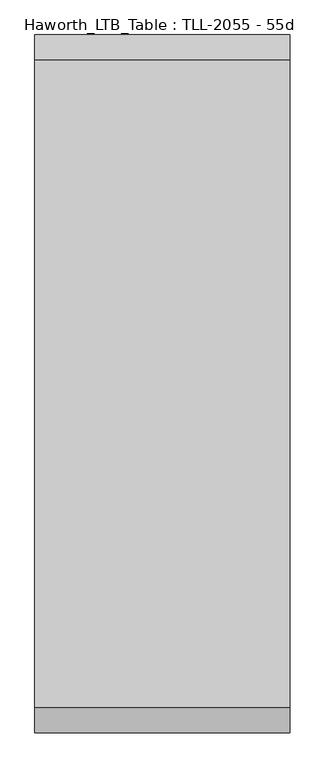
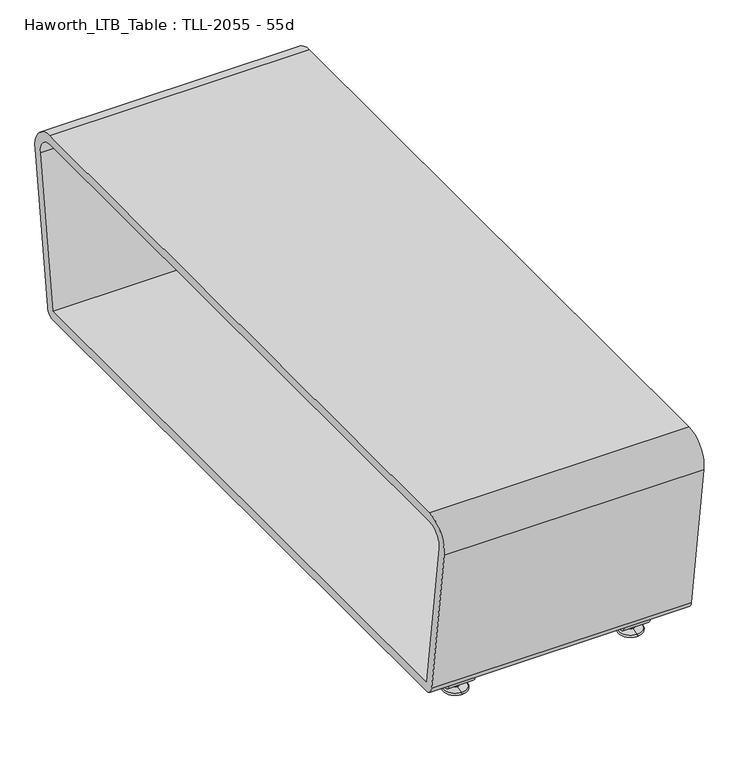
"""IFC4 building model written with IfcOpenShell, lengths in millimetres: furniture geometry, Haworth_LTB_Table : TLL-2055 - 55d."""

from ifc_helpers import new_model, si_unit, point, frame, frame_2d, origin, place, context, project, spatial, polyline, circle_curve, ellipse_curve, trimmed, segment, composite_curve, outline, extrude, source, transform, mapped, element, save
from ifc_brep_helpers import plane_surface, cylinder_surface, revolved_surface, advanced_brep


def haworth_ltb_table_tll_2055_55d_089fc6c0(model_context):
    return source(origin(), model_context, "Body", "SolidModel", [
        advanced_brep(
        [(272.9954642, 1023.8425052, 7.8133431), (272.9954642, 1039.8355515, 7.8133431), (272.9954642, 1036.6015284, 7.8133431), (272.9954642, 1027.0765284, 7.8133431), (272.9954642, 1009.9001513, 4.0775), (272.9954642, 1053.7779054, 4.0775), (272.9954642, 1010.3107026, 0.0), (272.9954642, 1053.3673542, 0.0), (272.9954642, 1031.8390284, 0.0), (272.9954642, 1027.0765284, 50.0000004), (272.9954642, 1036.6015284, 50.0000004), (272.9954642, 1031.8390284, 50.0000004)],
        [
            (0, 1, circle_curve(frame((272.9954642, 1031.8390284, 7.8133431), z_axis=(0.0, 0.0, 1.0), x_axis=(0.0, 1.0, 0.0)), 7.9965232)),
            (1, 2),
            (2, 3, circle_curve(frame((272.9954642, 1031.8390284, 7.8133431), z_axis=(0.0, 0.0, -1.0), x_axis=(0.0, 1.0, 0.0)), 4.7625)),
            (3, 0),
            (1, 0, circle_curve(frame((272.9954642, 1031.8390284, 7.8133431), z_axis=(0.0, 0.0, 1.0), x_axis=(0.0, 1.0, 0.0)), 7.9965232)),
            (3, 2, circle_curve(frame((272.9954642, 1031.8390284, 7.8133431), z_axis=(0.0, 0.0, -1.0), x_axis=(0.0, 1.0, 0.0)), 4.7625)),
            (4, 5, circle_curve(frame((272.9954642, 1031.8390284, 4.0775), z_axis=(0.0, 0.0, 1.0), x_axis=(0.0, 1.0, 0.0)), 21.9388771)),
            (5, 1),
            (0, 4),
            (5, 4, circle_curve(frame((272.9954642, 1031.8390284, 4.0775), z_axis=(0.0, 0.0, 1.0), x_axis=(0.0, 1.0, 0.0)), 21.9388771)),
            (6, 7, circle_curve(frame((272.9954642, 1031.8390284, 0.0), z_axis=(0.0, 0.0, 1.0), x_axis=(0.0, 1.0, 0.0)), 21.5283258)),
            (7, 5, circle_curve(frame((272.9954642, 1053.2405822, 2.0721829), z_axis=(1.0, 0.0, 0.0), x_axis=(0.0, -1.0, 0.0)), 2.0760571)),
            (4, 6, circle_curve(frame((272.9954642, 1010.4374745, 2.0721829), z_axis=(1.0, 0.0, 0.0), x_axis=(0.0, 1.0, 0.0)), 2.0760571)),
            (7, 6, circle_curve(frame((272.9954642, 1031.8390284, 0.0), z_axis=(0.0, 0.0, 1.0), x_axis=(0.0, 1.0, 0.0)), 21.5283258)),
            (8, 7),
            (6, 8),
            (9, 10, circle_curve(frame((272.9954642, 1031.8390284, 50.0000004), z_axis=(0.0, 0.0, 1.0), x_axis=(0.0, 1.0, 0.0)), 4.7625)),
            (10, 11),
            (11, 9),
            (10, 9, circle_curve(frame((272.9954642, 1031.8390284, 50.0000004), z_axis=(0.0, 0.0, 1.0), x_axis=(0.0, 1.0, 0.0)), 4.7625)),
            (2, 10),
            (9, 3),
        ],
        [
            plane_surface(frame((272.9954642, 1031.8390284, 7.8133431), z_axis=(0.0, 0.0, 1.0), x_axis=(0.0, 1.0, 0.0))),
            revolved_surface(polyline([(272.9954642, 1039.8355515, 7.8133431), (272.9954642, 1053.7779054, 4.0775)]), (272.9954642, 1031.8390284, 0.0), (0.0, 0.0, -1.0)),
            revolved_surface(trimmed(ellipse_curve(frame((272.9954642, 1053.2405822, 2.0721829), z_axis=(-1.0, 0.0, 0.0), x_axis=(0.0, -1.0, 0.0)), 2.0760571, 2.0760571), [point((272.9954642, 1053.7779054, 4.0775))], [point((272.9954642, 1053.3673542, 0.0))], True, "CARTESIAN"), (272.9954642, 1031.8390284, 0.0), (0.0, 0.0, -1.0)),
            plane_surface(frame((272.9954642, 1031.8390284, 0.0), z_axis=(0.0, 0.0, -1.0), x_axis=(0.0, 1.0, 0.0))),
            plane_surface(frame((272.9954642, 1031.8390284, 50.0000004), z_axis=(0.0, 0.0, 1.0), x_axis=(0.0, 1.0, 0.0))),
            cylinder_surface(frame((272.9954642, 1031.8390284, 0.0), z_axis=(0.0, 0.0, -1.0), x_axis=(0.0, 1.0, 0.0)), 4.7625),
        ],
        [
            (0, [[1, 2, 3, 4]]),
            (0, [[5, -4, 6, -2]]),
            (1, [[7, 8, -1, 9]]),
            (1, [[10, -9, -5, -8]]),
            (2, [[11, 12, -7, 13]]),
            (2, [[14, -13, -10, -12]]),
            (3, [[15, -11, 16]]),
            (3, [[-16, -14, -15]]),
            (4, [[17, 18, 19]]),
            (4, [[20, -19, -18]]),
            (5, [[-3, 21, -17, 22]]),
            (5, [[-6, -22, -20, -21]]),
        ],
    ),
        extrude(outline(composite_curve([segment(trimmed(circle_curve(frame_2d((1040.994834, 30.0000007)), 15.000001), [point((1055.848856, 27.9124042))], [point((1040.994834, 14.9999997))], False, "CARTESIAN"), True, "CONTINUOUS"), segment(polyline([(1040.994834, 14.9999997), (1022.6832228, 14.9999997)]), True, "CONTINUOUS"), segment(trimmed(circle_curve(frame_2d((1022.6832228, 30.0000007)), 15.000001), [point((1022.6832228, 14.9999997))], [point((1007.8292007, 27.9124042))], False, "CARTESIAN"), True, "CONTINUOUS"), segment(polyline([(1007.8292007, 27.9124042), (1004.7249917, 50.0000004), (1010.4709154, 50.0000004), (1013.4638262, 28.7043023)]), True, "CONTINUOUS"), segment(trimmed(circle_curve(frame_2d((1022.6832241, 30.0000023)), 9.310002), [point((1013.4638262, 28.7043023))], [point((1022.6832241, 20.6900003))], True, "CARTESIAN"), True, "CONTINUOUS"), segment(polyline([(1022.6832241, 20.6900003), (1040.9948326, 20.6900003)]), True, "CONTINUOUS"), segment(trimmed(circle_curve(frame_2d((1040.9948326, 30.0000023)), 9.310002), [point((1040.9948326, 20.6900003))], [point((1050.2142305, 28.7043023))], True, "CARTESIAN"), True, "CONTINUOUS"), segment(polyline([(1050.2142305, 28.7043023), (1053.2071413, 50.0000004), (1058.953065, 50.0000004), (1055.848856, 27.9124042)]), True, "CONTINUOUS")], self_intersect=False)), frame((247.5954642, 0.0, 0.0), z_axis=(1.0, 0.0, 0.0), x_axis=(0.0, 1.0, 0.0)), (0.0, 0.0, 1.0), 50.8),
        advanced_brep(
        [(616.0045358, 1027.0765284, 7.8133431), (616.0045358, 1036.6015284, 7.8133431), (616.0045358, 1039.8355515, 7.8133431), (616.0045358, 1023.8425052, 7.8133431), (616.0045358, 1053.7779054, 4.0775), (616.0045358, 1009.9001513, 4.0775), (616.0045358, 1053.3673542, 0.0), (616.0045358, 1010.3107026, 0.0), (616.0045358, 1031.8390284, 0.0), (616.0045358, 1031.8390284, 50.0000004), (616.0045358, 1036.6015284, 50.0000004), (616.0045358, 1027.0765284, 50.0000004)],
        [
            (0, 1, circle_curve(frame((616.0045358, 1031.8390284, 7.8133431), z_axis=(0.0, 0.0, -1.0), x_axis=(0.0, 1.0, 0.0)), 4.7625)),
            (1, 2),
            (2, 3, circle_curve(frame((616.0045358, 1031.8390284, 7.8133431), z_axis=(0.0, 0.0, 1.0), x_axis=(0.0, 1.0, 0.0)), 7.9965232)),
            (3, 0),
            (1, 0, circle_curve(frame((616.0045358, 1031.8390284, 7.8133431), z_axis=(0.0, 0.0, -1.0), x_axis=(0.0, 1.0, 0.0)), 4.7625)),
            (3, 2, circle_curve(frame((616.0045358, 1031.8390284, 7.8133431), z_axis=(0.0, 0.0, 1.0), x_axis=(0.0, 1.0, 0.0)), 7.9965232)),
            (2, 4),
            (4, 5, circle_curve(frame((616.0045358, 1031.8390284, 4.0775), z_axis=(0.0, 0.0, 1.0), x_axis=(0.0, 1.0, 0.0)), 21.9388771)),
            (5, 3),
            (5, 4, circle_curve(frame((616.0045358, 1031.8390284, 4.0775), z_axis=(0.0, 0.0, 1.0), x_axis=(0.0, 1.0, 0.0)), 21.9388771)),
            (4, 6, circle_curve(frame((616.0045358, 1053.2405822, 2.0721829), z_axis=(-1.0, 0.0, 0.0), x_axis=(0.0, -1.0, 0.0)), 2.0760571)),
            (6, 7, circle_curve(frame((616.0045358, 1031.8390284, 0.0), z_axis=(0.0, 0.0, 1.0), x_axis=(0.0, 1.0, 0.0)), 21.5283258)),
            (7, 5, circle_curve(frame((616.0045358, 1010.4374745, 2.0721829), z_axis=(-1.0, 0.0, 0.0), x_axis=(0.0, 1.0, 0.0)), 2.0760571)),
            (7, 6, circle_curve(frame((616.0045358, 1031.8390284, 0.0), z_axis=(0.0, 0.0, 1.0), x_axis=(0.0, 1.0, 0.0)), 21.5283258)),
            (6, 8),
            (8, 7),
            (9, 10),
            (10, 11, circle_curve(frame((616.0045358, 1031.8390284, 50.0000004), z_axis=(0.0, 0.0, 1.0), x_axis=(0.0, 1.0, 0.0)), 4.7625)),
            (11, 9),
            (11, 10, circle_curve(frame((616.0045358, 1031.8390284, 50.0000004), z_axis=(0.0, 0.0, 1.0), x_axis=(0.0, 1.0, 0.0)), 4.7625)),
            (10, 1),
            (0, 11),
        ],
        [
            plane_surface(frame((616.0045358, 1031.8390284, 7.8133431), z_axis=(0.0, 0.0, 1.0), x_axis=(0.0, 1.0, 0.0))),
            revolved_surface(polyline([(616.0045358, 1053.7779054, 4.0775), (616.0045358, 1039.8355515, 7.8133431)]), (616.0045358, 1031.8390284, 0.0), (0.0, 0.0, 1.0)),
            revolved_surface(trimmed(ellipse_curve(frame((616.0045358, 1053.2405822, 2.0721829), z_axis=(1.0, 0.0, 0.0), x_axis=(0.0, -1.0, 0.0)), 2.0760571, 2.0760571), [point((616.0045358, 1053.3673542, 0.0))], [point((616.0045358, 1053.7779054, 4.0775))], True, "CARTESIAN"), (616.0045358, 1031.8390284, 0.0), (0.0, 0.0, 1.0)),
            plane_surface(frame((616.0045358, 1031.8390284, 0.0), z_axis=(0.0, 0.0, -1.0), x_axis=(0.0, 1.0, 0.0))),
            plane_surface(frame((616.0045358, 1031.8390284, 50.0000004), z_axis=(0.0, 0.0, 1.0), x_axis=(0.0, 1.0, 0.0))),
            cylinder_surface(frame((616.0045358, 1031.8390284, 0.0), z_axis=(0.0, 0.0, 1.0), x_axis=(0.0, 1.0, 0.0)), 4.7625),
        ],
        [
            (0, [[1, 2, 3, 4]]),
            (0, [[5, -4, 6, -2]]),
            (1, [[-3, 7, 8, 9]]),
            (1, [[-6, -9, 10, -7]]),
            (2, [[-8, 11, 12, 13]]),
            (2, [[-10, -13, 14, -11]]),
            (3, [[-12, 15, 16]]),
            (3, [[-14, -16, -15]]),
            (4, [[17, 18, 19]]),
            (4, [[-19, 20, -17]]),
            (5, [[-18, 21, -1, 22]]),
            (5, [[-20, -22, -5, -21]]),
        ],
    ),
        extrude(outline(composite_curve([segment(trimmed(circle_curve(frame_2d((1040.994834, 30.0000007)), 15.000001), [point((1055.848856, 27.9124042))], [point((1040.994834, 14.9999997))], False, "CARTESIAN"), True, "CONTINUOUS"), segment(polyline([(1040.994834, 14.9999997), (1022.6832228, 14.9999997)]), True, "CONTINUOUS"), segment(trimmed(circle_curve(frame_2d((1022.6832228, 30.0000007)), 15.000001), [point((1022.6832228, 14.9999997))], [point((1007.8292007, 27.9124042))], False, "CARTESIAN"), True, "CONTINUOUS"), segment(polyline([(1007.8292007, 27.9124042), (1004.7249917, 50.0000004), (1010.4709154, 50.0000004), (1013.4638262, 28.7043023)]), True, "CONTINUOUS"), segment(trimmed(circle_curve(frame_2d((1022.6832241, 30.0000023)), 9.310002), [point((1013.4638262, 28.7043023))], [point((1022.6832241, 20.6900003))], True, "CARTESIAN"), True, "CONTINUOUS"), segment(polyline([(1022.6832241, 20.6900003), (1040.9948326, 20.6900003)]), True, "CONTINUOUS"), segment(trimmed(circle_curve(frame_2d((1040.9948326, 30.0000023)), 9.310002), [point((1040.9948326, 20.6900003))], [point((1050.2142305, 28.7043023))], True, "CARTESIAN"), True, "CONTINUOUS"), segment(polyline([(1050.2142305, 28.7043023), (1053.2071413, 50.0000004), (1058.953065, 50.0000004), (1055.848856, 27.9124042)]), True, "CONTINUOUS")], self_intersect=False)), frame((590.6045358, 0.0, 0.0), z_axis=(1.0, 0.0, 0.0), x_axis=(0.0, 1.0, 0.0)), (0.0, 0.0, 1.0), 50.8),
        advanced_brep(
        [(272.9954642, -138.0765284, 7.8133431), (272.9954642, -147.6015284, 7.8133431), (272.9954642, -150.8355515, 7.8133431), (272.9954642, -134.8425052, 7.8133431), (272.9954642, -164.7779054, 4.0775), (272.9954642, -120.9001513, 4.0775), (272.9954642, -164.3673542, 0.0), (272.9954642, -121.3107026, 0.0), (272.9954642, -142.8390284, 0.0), (272.9954642, -142.8390284, 50.0000004), (272.9954642, -147.6015284, 50.0000004), (272.9954642, -138.0765284, 50.0000004)],
        [
            (0, 1, circle_curve(frame((272.9954642, -142.8390284, 7.8133431), z_axis=(0.0, 0.0, -1.0), x_axis=(0.0, -1.0, 0.0)), 4.7625)),
            (1, 2),
            (2, 3, circle_curve(frame((272.9954642, -142.8390284, 7.8133431), z_axis=(0.0, 0.0, 1.0), x_axis=(0.0, -1.0, 0.0)), 7.9965232)),
            (3, 0),
            (1, 0, circle_curve(frame((272.9954642, -142.8390284, 7.8133431), z_axis=(0.0, 0.0, -1.0), x_axis=(0.0, -1.0, 0.0)), 4.7625)),
            (3, 2, circle_curve(frame((272.9954642, -142.8390284, 7.8133431), z_axis=(0.0, 0.0, 1.0), x_axis=(0.0, -1.0, 0.0)), 7.9965232)),
            (2, 4),
            (4, 5, circle_curve(frame((272.9954642, -142.8390284, 4.0775), z_axis=(0.0, 0.0, 1.0), x_axis=(0.0, -1.0, 0.0)), 21.9388771)),
            (5, 3),
            (5, 4, circle_curve(frame((272.9954642, -142.8390284, 4.0775), z_axis=(0.0, 0.0, 1.0), x_axis=(0.0, -1.0, 0.0)), 21.9388771)),
            (4, 6, circle_curve(frame((272.9954642, -164.2405822, 2.0721829), z_axis=(1.0, 0.0, 0.0), x_axis=(0.0, 1.0, 0.0)), 2.0760571)),
            (6, 7, circle_curve(frame((272.9954642, -142.8390284, 0.0), z_axis=(0.0, 0.0, 1.0), x_axis=(0.0, -1.0, 0.0)), 21.5283258)),
            (7, 5, circle_curve(frame((272.9954642, -121.4374745, 2.0721829), z_axis=(1.0, 0.0, 0.0), x_axis=(0.0, -1.0, 0.0)), 2.0760571)),
            (7, 6, circle_curve(frame((272.9954642, -142.8390284, 0.0), z_axis=(0.0, 0.0, 1.0), x_axis=(0.0, -1.0, 0.0)), 21.5283258)),
            (6, 8),
            (8, 7),
            (9, 10),
            (10, 11, circle_curve(frame((272.9954642, -142.8390284, 50.0000004), z_axis=(0.0, 0.0, 1.0), x_axis=(0.0, -1.0, 0.0)), 4.7625)),
            (11, 9),
            (11, 10, circle_curve(frame((272.9954642, -142.8390284, 50.0000004), z_axis=(0.0, 0.0, 1.0), x_axis=(0.0, -1.0, 0.0)), 4.7625)),
            (10, 1),
            (0, 11),
        ],
        [
            plane_surface(frame((272.9954642, -142.8390284, 7.8133431), z_axis=(0.0, 0.0, 1.0), x_axis=(0.0, -1.0, 0.0))),
            revolved_surface(polyline([(272.9954642, -164.7779054, 4.0775), (272.9954642, -150.8355515, 7.8133431)]), (272.9954642, -142.8390284, 0.0), (0.0, 0.0, 1.0)),
            revolved_surface(trimmed(ellipse_curve(frame((272.9954642, -164.2405822, 2.0721829), z_axis=(-1.0, 0.0, 0.0), x_axis=(0.0, 1.0, 0.0)), 2.0760571, 2.0760571), [point((272.9954642, -164.3673542, 0.0))], [point((272.9954642, -164.7779054, 4.0775))], True, "CARTESIAN"), (272.9954642, -142.8390284, 0.0), (0.0, 0.0, 1.0)),
            plane_surface(frame((272.9954642, -142.8390284, 0.0), z_axis=(0.0, 0.0, -1.0), x_axis=(0.0, -1.0, 0.0))),
            plane_surface(frame((272.9954642, -142.8390284, 50.0000004), z_axis=(0.0, 0.0, 1.0), x_axis=(0.0, -1.0, 0.0))),
            cylinder_surface(frame((272.9954642, -142.8390284, 0.0), z_axis=(0.0, 0.0, 1.0), x_axis=(0.0, -1.0, 0.0)), 4.7625),
        ],
        [
            (0, [[1, 2, 3, 4]]),
            (0, [[5, -4, 6, -2]]),
            (1, [[-3, 7, 8, 9]]),
            (1, [[-6, -9, 10, -7]]),
            (2, [[-8, 11, 12, 13]]),
            (2, [[-10, -13, 14, -11]]),
            (3, [[-12, 15, 16]]),
            (3, [[-14, -16, -15]]),
            (4, [[17, 18, 19]]),
            (4, [[-19, 20, -17]]),
            (5, [[-18, 21, -1, 22]]),
            (5, [[-20, -22, -5, -21]]),
        ],
    ),
        extrude(outline(composite_curve([segment(polyline([(-166.848856, 27.9124042), (-169.953065, 50.0000004), (-164.2071413, 50.0000004), (-161.2142305, 28.7043023)]), True, "CONTINUOUS"), segment(trimmed(circle_curve(frame_2d((-151.9948326, 30.0000023)), 9.310002), [point((-161.2142305, 28.7043023))], [point((-151.9948326, 20.6900003))], True, "CARTESIAN"), True, "CONTINUOUS"), segment(polyline([(-151.9948326, 20.6900003), (-133.6832241, 20.6900003)]), True, "CONTINUOUS"), segment(trimmed(circle_curve(frame_2d((-133.6832241, 30.0000023)), 9.310002), [point((-133.6832241, 20.6900003))], [point((-124.4638262, 28.7043023))], True, "CARTESIAN"), True, "CONTINUOUS"), segment(polyline([(-124.4638262, 28.7043023), (-121.4709154, 50.0000004), (-115.7249917, 50.0000004), (-118.8292007, 27.9124042)]), True, "CONTINUOUS"), segment(trimmed(circle_curve(frame_2d((-133.6832228, 30.0000007)), 15.000001), [point((-118.8292007, 27.9124042))], [point((-133.6832228, 14.9999997))], False, "CARTESIAN"), True, "CONTINUOUS"), segment(polyline([(-133.6832228, 14.9999997), (-151.994834, 14.9999997)]), True, "CONTINUOUS"), segment(trimmed(circle_curve(frame_2d((-151.994834, 30.0000007)), 15.000001), [point((-151.994834, 14.9999997))], [point((-166.848856, 27.9124042))], False, "CARTESIAN"), True, "CONTINUOUS")], self_intersect=False)), frame((247.5954642, 0.0, 0.0), z_axis=(1.0, 0.0, 0.0), x_axis=(0.0, 1.0, 0.0)), (0.0, 0.0, 1.0), 50.8),
        extrude(outline(composite_curve([segment(trimmed(circle_curve(frame_2d((1076.8390314, 68.9999996)), 18.9999992), [point((1095.6541239, 66.3557108))], [point((1076.8390314, 50.0000004))], False, "CARTESIAN"), True, "CONTINUOUS"), segment(polyline([(1076.8390314, 50.0000004), (-187.8390314, 50.0000004)]), True, "CONTINUOUS"), segment(trimmed(circle_curve(frame_2d((-187.8390314, 68.9999996)), 18.9999992), [point((-187.8390314, 50.0000004))], [point((-206.6541239, 66.3557108))], False, "CARTESIAN"), True, "CONTINUOUS"), segment(polyline([(-206.6541239, 66.3557108), (-248.9251946, 367.13001)]), True, "CONTINUOUS"), segment(trimmed(circle_curve(frame_2d((-198.6195767, 374.2000035)), 50.8), [point((-248.9251946, 367.13001))], [point((-198.6195767, 425.0000035))], False, "CARTESIAN"), True, "CONTINUOUS"), segment(polyline([(-198.6195767, 425.0000035), (1087.6195767, 425.0000035)]), True, "CONTINUOUS"), segment(trimmed(circle_curve(frame_2d((1087.6195767, 374.2000035)), 50.8), [point((1087.6195767, 425.0000035))], [point((1137.9251946, 367.13001))], False, "CARTESIAN"), True, "CONTINUOUS"), segment(polyline([(1137.9251946, 367.13001), (1095.6541239, 66.3557108)]), True, "CONTINUOUS")], self_intersect=False), holes=[composite_curve([segment(polyline([(-230.2134277, 370.7354743), (-187.8072865, 68.9999989), (1076.8072865, 68.9999989), (1119.2134277, 370.7354743)]), True, "CONTINUOUS"), segment(trimmed(circle_curve(frame_2d((1088.5584416, 375.0437502)), 30.95625), [point((1119.2134277, 370.7354743))], [point((1088.5584416, 406.0000002))], True, "CARTESIAN"), True, "CONTINUOUS"), segment(polyline([(1088.5584416, 406.0000002), (-199.5584416, 406.0000002)]), True, "CONTINUOUS"), segment(trimmed(circle_curve(frame_2d((-199.5584416, 375.0437502)), 30.95625), [point((-199.5584416, 406.0000002))], [point((-230.2134277, 370.7354743))], True, "CARTESIAN"), True, "CONTINUOUS")], self_intersect=False)]), frame((190.5, 0.0, 0.0), z_axis=(1.0, 0.0, 0.0), x_axis=(0.0, 1.0, 0.0)), (0.0, 0.0, 1.0), 508.0),
        advanced_brep(
        [(616.0045358, -134.8425052, 7.8133431), (616.0045358, -150.8355515, 7.8133431), (616.0045358, -147.6015284, 7.8133431), (616.0045358, -138.0765284, 7.8133431), (616.0045358, -120.9001513, 4.0775), (616.0045358, -164.7779054, 4.0775), (616.0045358, -121.3107026, 0.0), (616.0045358, -164.3673542, 0.0), (616.0045358, -142.8390284, 0.0), (616.0045358, -138.0765284, 50.0000004), (616.0045358, -147.6015284, 50.0000004), (616.0045358, -142.8390284, 50.0000004)],
        [
            (0, 1, circle_curve(frame((616.0045358, -142.8390284, 7.8133431), z_axis=(0.0, 0.0, 1.0), x_axis=(0.0, -1.0, 0.0)), 7.9965232)),
            (1, 2),
            (2, 3, circle_curve(frame((616.0045358, -142.8390284, 7.8133431), z_axis=(0.0, 0.0, -1.0), x_axis=(0.0, -1.0, 0.0)), 4.7625)),
            (3, 0),
            (1, 0, circle_curve(frame((616.0045358, -142.8390284, 7.8133431), z_axis=(0.0, 0.0, 1.0), x_axis=(0.0, -1.0, 0.0)), 7.9965232)),
            (3, 2, circle_curve(frame((616.0045358, -142.8390284, 7.8133431), z_axis=(0.0, 0.0, -1.0), x_axis=(0.0, -1.0, 0.0)), 4.7625)),
            (4, 5, circle_curve(frame((616.0045358, -142.8390284, 4.0775), z_axis=(0.0, 0.0, 1.0), x_axis=(0.0, -1.0, 0.0)), 21.9388771)),
            (5, 1),
            (0, 4),
            (5, 4, circle_curve(frame((616.0045358, -142.8390284, 4.0775), z_axis=(0.0, 0.0, 1.0), x_axis=(0.0, -1.0, 0.0)), 21.9388771)),
            (6, 7, circle_curve(frame((616.0045358, -142.8390284, 0.0), z_axis=(0.0, 0.0, 1.0), x_axis=(0.0, -1.0, 0.0)), 21.5283258)),
            (7, 5, circle_curve(frame((616.0045358, -164.2405822, 2.0721829), z_axis=(-1.0, 0.0, 0.0), x_axis=(0.0, 1.0, 0.0)), 2.0760571)),
            (4, 6, circle_curve(frame((616.0045358, -121.4374745, 2.0721829), z_axis=(-1.0, 0.0, 0.0), x_axis=(0.0, -1.0, 0.0)), 2.0760571)),
            (7, 6, circle_curve(frame((616.0045358, -142.8390284, 0.0), z_axis=(0.0, 0.0, 1.0), x_axis=(0.0, -1.0, 0.0)), 21.5283258)),
            (8, 7),
            (6, 8),
            (9, 10, circle_curve(frame((616.0045358, -142.8390284, 50.0000004), z_axis=(0.0, 0.0, 1.0), x_axis=(0.0, -1.0, 0.0)), 4.7625)),
            (10, 11),
            (11, 9),
            (10, 9, circle_curve(frame((616.0045358, -142.8390284, 50.0000004), z_axis=(0.0, 0.0, 1.0), x_axis=(0.0, -1.0, 0.0)), 4.7625)),
            (2, 10),
            (9, 3),
        ],
        [
            plane_surface(frame((616.0045358, -142.8390284, 7.8133431), z_axis=(0.0, 0.0, 1.0), x_axis=(0.0, -1.0, 0.0))),
            revolved_surface(polyline([(616.0045358, -150.8355515, 7.8133431), (616.0045358, -164.7779054, 4.0775)]), (616.0045358, -142.8390284, 0.0), (0.0, 0.0, -1.0)),
            revolved_surface(trimmed(ellipse_curve(frame((616.0045358, -164.2405822, 2.0721829), z_axis=(1.0, 0.0, 0.0), x_axis=(0.0, 1.0, 0.0)), 2.0760571, 2.0760571), [point((616.0045358, -164.7779054, 4.0775))], [point((616.0045358, -164.3673542, 0.0))], True, "CARTESIAN"), (616.0045358, -142.8390284, 0.0), (0.0, 0.0, -1.0)),
            plane_surface(frame((616.0045358, -142.8390284, 0.0), z_axis=(0.0, 0.0, -1.0), x_axis=(0.0, -1.0, 0.0))),
            plane_surface(frame((616.0045358, -142.8390284, 50.0000004), z_axis=(0.0, 0.0, 1.0), x_axis=(0.0, -1.0, 0.0))),
            cylinder_surface(frame((616.0045358, -142.8390284, 0.0), z_axis=(0.0, 0.0, -1.0), x_axis=(0.0, -1.0, 0.0)), 4.7625),
        ],
        [
            (0, [[1, 2, 3, 4]]),
            (0, [[5, -4, 6, -2]]),
            (1, [[7, 8, -1, 9]]),
            (1, [[10, -9, -5, -8]]),
            (2, [[11, 12, -7, 13]]),
            (2, [[14, -13, -10, -12]]),
            (3, [[15, -11, 16]]),
            (3, [[-16, -14, -15]]),
            (4, [[17, 18, 19]]),
            (4, [[20, -19, -18]]),
            (5, [[-3, 21, -17, 22]]),
            (5, [[-6, -22, -20, -21]]),
        ],
    ),
        extrude(outline(composite_curve([segment(polyline([(-166.848856, 27.9124042), (-169.953065, 50.0000004), (-164.2071413, 50.0000004), (-161.2142305, 28.7043023)]), True, "CONTINUOUS"), segment(trimmed(circle_curve(frame_2d((-151.9948326, 30.0000023)), 9.310002), [point((-161.2142305, 28.7043023))], [point((-151.9948326, 20.6900003))], True, "CARTESIAN"), True, "CONTINUOUS"), segment(polyline([(-151.9948326, 20.6900003), (-133.6832241, 20.6900003)]), True, "CONTINUOUS"), segment(trimmed(circle_curve(frame_2d((-133.6832241, 30.0000023)), 9.310002), [point((-133.6832241, 20.6900003))], [point((-124.4638262, 28.7043023))], True, "CARTESIAN"), True, "CONTINUOUS"), segment(polyline([(-124.4638262, 28.7043023), (-121.4709154, 50.0000004), (-115.7249917, 50.0000004), (-118.8292007, 27.9124042)]), True, "CONTINUOUS"), segment(trimmed(circle_curve(frame_2d((-133.6832228, 30.0000007)), 15.000001), [point((-118.8292007, 27.9124042))], [point((-133.6832228, 14.9999997))], False, "CARTESIAN"), True, "CONTINUOUS"), segment(polyline([(-133.6832228, 14.9999997), (-151.994834, 14.9999997)]), True, "CONTINUOUS"), segment(trimmed(circle_curve(frame_2d((-151.994834, 30.0000007)), 15.000001), [point((-151.994834, 14.9999997))], [point((-166.848856, 27.9124042))], False, "CARTESIAN"), True, "CONTINUOUS")], self_intersect=False)), frame((590.6045358, 0.0, 0.0), z_axis=(1.0, 0.0, 0.0), x_axis=(0.0, 1.0, 0.0)), (0.0, 0.0, 1.0), 50.8),
    ])


if __name__ == "__main__":
    model = new_model("IFC4")
    model_context = context("Model", 3, world=origin())
    ifc_project = project(units=[si_unit("LENGTHUNIT", "METRE", prefix="MILLI")], contexts=[model_context])
    site = spatial("IfcSite", under=ifc_project)
    building = spatial("IfcBuilding", under=site)
    placement = place(None, origin())
    haworth_ltb_table_tll_2055_55d_shape = haworth_ltb_table_tll_2055_55d_089fc6c0(model_context)
    element("IfcFurniture", 1, ObjectType="Haworth_LTB_Table : TLL-2055 - 55d", at=placement, inside=building, context=model_context, shape_type="MappedRepresentation", body=[
        mapped(haworth_ltb_table_tll_2055_55d_shape, transform((0.0, 0.0, 0.0), x_axis=(1.0, 0.0, 0.0), y_axis=(0.0, 1.0, 0.0), z_axis=(0.0, 0.0, 1.0))),
    ])
    save(model, "model.ifc")
